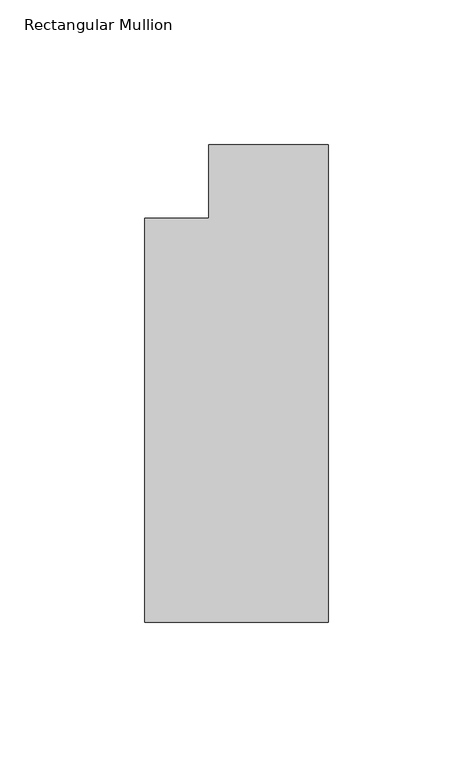
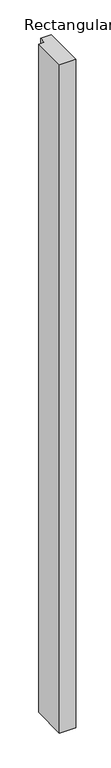
"""IFC4 building model written with IfcOpenShell, lengths in millimetres: member geometry, Rectangular Mullion."""

import ifcopenshell
import ifcopenshell.guid

model = None  # the IFC model being written
_history = None  # IfcOwnerHistory: only IFC2X3 demands one
_inside = {}  # id of a spatial element -> (the spatial element, [elements in it])
_under = {}  # id of a project, library or spatial element -> (it, [spatial elements below it])
_declared = {}  # id of a project -> (the project, [libraries it declares])
_typed = {}  # id of a type object -> (the type object, [elements of that type])
_made_of = {}  # id of a material, layer set ... -> (it, [elements and type objects made of it])


def new_model(schema):
    """Start an empty IFC model of exactly this schema.

    Asked for "IFC4X3", IfcOpenShell would pick the latest addendum, in which some entities
    have other attributes; the version numbers below select the first issue.
    IFC2X3 requires an IfcOwnerHistory on every rooted entity: one is made here for all.
    """
    global model, _history
    if schema == "IFC4X3":
        model = ifcopenshell.file(schema_version=(4, 3, 0, 0))
    else:
        model = ifcopenshell.file(schema=schema)
    _inside.clear()
    _under.clear()
    _declared.clear()
    _typed.clear()
    _made_of.clear()
    _history = None
    if model.schema == "IFC2X3":
        org = make("IfcOrganization", Name="unknown")
        user = make(
            "IfcPersonAndOrganization",
            ThePerson=make("IfcPerson", FamilyName="unknown"),
            TheOrganization=org,
        )
        app = make(
            "IfcApplication",
            ApplicationDeveloper=org,
            Version="unknown",
            ApplicationFullName="unknown",
            ApplicationIdentifier="unknown",
        )
        _history = make(
            "IfcOwnerHistory",
            OwningUser=user,
            OwningApplication=app,
            ChangeAction="ADDED",
            CreationDate=0,
        )
    return model


def make(cls, **values):
    """One entity of the class cls with the attributes given. An attribute that is None is left unset."""
    return model.create_entity(
        cls, **{name: value for name, value in values.items() if value is not None}
    )


def rooted(cls, **values):
    """An entity with a GlobalId (a new one), such as an element, a storey or a relation."""
    return make(cls, GlobalId=ifcopenshell.guid.new(), OwnerHistory=_history, **values)


def si_unit(unit_type, name, prefix=None):
    """IfcSIUnit, for example si_unit("LENGTHUNIT", "METRE", prefix="MILLI")."""
    return make("IfcSIUnit", UnitType=unit_type, Prefix=prefix, Name=name)


def assignment(units):
    """IfcUnitAssignment: the units of a project."""
    return None if units is None else make("IfcUnitAssignment", Units=units)


def point(xyz):
    """IfcCartesianPoint."""
    return None if xyz is None else make("IfcCartesianPoint", Coordinates=xyz)


def direction(xyz):
    """IfcDirection."""
    return None if xyz is None else make("IfcDirection", DirectionRatios=xyz)


def frame(location, z_axis=None, x_axis=None):
    """IfcAxis2Placement3D, a coordinate frame: its origin and axes. An axis left out is left unset."""
    return make(
        "IfcAxis2Placement3D",
        Location=point(location),
        Axis=direction(z_axis),
        RefDirection=direction(x_axis),
    )


def origin():
    """The frame at (0, 0, 0) with its axes left unset."""
    return frame((0.0, 0.0, 0.0))


def place(relative_to, where):
    """IfcLocalPlacement: puts the frame where relative to a parent placement (None: the world)."""
    return make(
        "IfcLocalPlacement", PlacementRelTo=relative_to, RelativePlacement=where
    )


def context(
    kind, dimensions, precision=None, world=None, true_north=None, identifier=None
):
    """IfcGeometricRepresentationContext, for example the 3D "Model" context."""
    return make(
        "IfcGeometricRepresentationContext",
        ContextIdentifier=identifier,
        ContextType=kind,
        CoordinateSpaceDimension=dimensions,
        Precision=precision,
        WorldCoordinateSystem=world,
        TrueNorth=true_north,
    )


def project(units=None, contexts=None):
    """IfcProject with its units and contexts."""
    return rooted(
        "IfcProject",
        Name="project",
        RepresentationContexts=contexts,
        UnitsInContext=assignment(units),
    )


def spatial(cls, under=None, at=None, **own):
    """A site, building, storey or space (cls), placed at a placement, below another one or the project."""
    s = rooted(cls, ObjectPlacement=at, **own)
    if under is not None:
        _under.setdefault(under.id(), (under, []))[1].append(s)
    return s


def polyline(points):
    """IfcPolyline through the points."""
    return make("IfcPolyline", Points=[point(p) for p in points])


def outline(outer, holes=None, kind="AREA"):
    """IfcArbitraryClosedProfileDef: a profile drawn as a closed curve; with holes, ...WithVoids."""
    if holes is None:
        return make("IfcArbitraryClosedProfileDef", ProfileType=kind, OuterCurve=outer)
    return make(
        "IfcArbitraryProfileDefWithVoids",
        ProfileType=kind,
        OuterCurve=outer,
        InnerCurves=holes,
    )


def extrude(swept, where, along, depth):
    """IfcExtrudedAreaSolid: the profile swept, set in the frame where, extruded along a direction by depth."""
    return make(
        "IfcExtrudedAreaSolid",
        SweptArea=swept,
        Position=where,
        ExtrudedDirection=direction(along),
        Depth=depth,
    )


def shape(context_of_items, identifier, shape_type, items):
    """IfcShapeRepresentation: the items that make up one representation, for example the "Body"."""
    return make(
        "IfcShapeRepresentation",
        ContextOfItems=context_of_items,
        RepresentationIdentifier=identifier,
        RepresentationType=shape_type,
        Items=items,
    )


def source(mapping_origin, context_of_items, identifier, shape_type, items):
    """IfcRepresentationMap: a shape defined once, which mapped items show again and again."""
    return make(
        "IfcRepresentationMap",
        MappingOrigin=mapping_origin,
        MappedRepresentation=shape(context_of_items, identifier, shape_type, items),
    )


def transform(
    local_origin,
    x_axis=None,
    y_axis=None,
    z_axis=None,
    scale=None,
    scale2=None,
    scale3=None,
    uniform=True,
):
    """IfcCartesianTransformationOperator3D, or its non-uniform kind. x_axis, y_axis, z_axis: its Axis1, 2, 3."""
    if uniform:
        return make(
            "IfcCartesianTransformationOperator3D",
            Axis1=direction(x_axis),
            Axis2=direction(y_axis),
            LocalOrigin=point(local_origin),
            Scale=scale,
            Axis3=direction(z_axis),
        )
    return make(
        "IfcCartesianTransformationOperator3DnonUniform",
        Axis1=direction(x_axis),
        Axis2=direction(y_axis),
        LocalOrigin=point(local_origin),
        Scale=scale,
        Axis3=direction(z_axis),
        Scale2=scale2,
        Scale3=scale3,
    )


def mapped(mapping_source, mapping_target):
    """IfcMappedItem: shows the shape of a source again, moved by a transform."""
    return make(
        "IfcMappedItem", MappingSource=mapping_source, MappingTarget=mapping_target
    )


def made_of(thing, what):
    """Note that an element or type object is made of a material, layer set ...; save() writes the relation."""
    if what is not None:
        _made_of.setdefault(what.id(), (what, []))[1].append(thing)
    return thing


def element(
    cls,
    number,
    at=None,
    inside=None,
    cuts=None,
    type_object=None,
    material=None,
    context=None,
    identifier="Body",
    shape_type=None,
    held_by="IfcProductDefinitionShape",
    body=None,
    shapes=None,
    **own,
):
    """One element of the class cls, such as IfcWall. Its Tag is "e" and its number.

    at: its placement. inside: the storey or other place that contains it. cuts: it is an
    opening in that element (IfcRelVoidsElement). A single representation is given by context,
    identifier, shape_type and body (its items); several are given by shapes. held_by: the class
    of the entity that holds the representations. save() writes the other relations.
    """
    e = rooted(cls, Tag="e%d" % number, ObjectPlacement=at, **own)
    if body is not None:
        shapes = [shape(context, identifier, shape_type, body)]
    if shapes is not None:
        e.Representation = make(held_by, Representations=shapes)
    if inside is not None:
        _inside.setdefault(inside.id(), (inside, []))[1].append(e)
    if cuts is not None:
        rooted(
            "IfcRelVoidsElement", RelatingBuildingElement=cuts, RelatedOpeningElement=e
        )
    if type_object is not None:
        _typed.setdefault(type_object.id(), (type_object, []))[1].append(e)
    return made_of(e, material)


def aggregate(whole, parts):
    """IfcRelAggregates: a whole, such as a stair, and the parts it consists of."""
    return rooted("IfcRelAggregates", RelatingObject=whole, RelatedObjects=parts)


def save(model, path):
    """Write the relations noted so far, then the file.

    IfcRelAggregates (storeys below a building ...), IfcRelContainedInSpatialStructure (elements
    in a storey), IfcRelDefinesByType, IfcRelAssociatesMaterial and IfcRelDeclares: one each for
    every whole, place, type object, material and project.
    """
    for whole, parts in _under.values():
        aggregate(whole, parts)
    for where, things in _inside.values():
        rooted(
            "IfcRelContainedInSpatialStructure",
            RelatedElements=things,
            RelatingStructure=where,
        )
    for kind, things in _typed.values():
        rooted("IfcRelDefinesByType", RelatedObjects=things, RelatingType=kind)
    for what, things in _made_of.values():
        rooted("IfcRelAssociatesMaterial", RelatedObjects=things, RelatingMaterial=what)
    for by, libraries in _declared.values():
        rooted("IfcRelDeclares", RelatingContext=by, RelatedDefinitions=libraries)
    model.write(path)


def rectangular_mullion_8f49f817(model_context):
    return source(origin(), model_context, "Body", "SweptSolid", [
        extrude(outline(polyline([(0.0, -139.699995), (-63.5, -139.699995), (-63.5, 0.0), (-41.2751132, 0.0), (-41.2751132, 25.4), (0.0, 25.4), (0.0, -139.699995)])), frame((0.0, 0.0, -2743.2), z_axis=(0.0, 0.0, 1.0), x_axis=(1.0, 0.0, 0.0)), (0.0, 0.0, 1.0), 2743.2),
    ])


if __name__ == "__main__":
    model = new_model("IFC4")
    model_context = context("Model", 3, world=origin())
    ifc_project = project(units=[si_unit("LENGTHUNIT", "METRE", prefix="MILLI")], contexts=[model_context])
    site = spatial("IfcSite", under=ifc_project)
    building = spatial("IfcBuilding", under=site)
    placement = place(None, origin())
    rectangular_mullion_shape = rectangular_mullion_8f49f817(model_context)
    element("IfcMember", 1, ObjectType="Rectangular Mullion", at=placement, inside=building, context=model_context, shape_type="MappedRepresentation", body=[
        mapped(rectangular_mullion_shape, transform((0.0, 0.0, 0.0), x_axis=(1.0, 0.0, 0.0), y_axis=(0.0, 1.0, 0.0), z_axis=(0.0, 0.0, 1.0))),
    ])
    save(model, "model.ifc")
